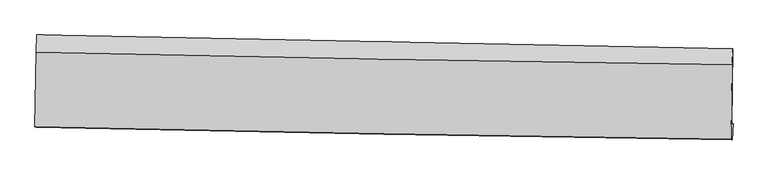
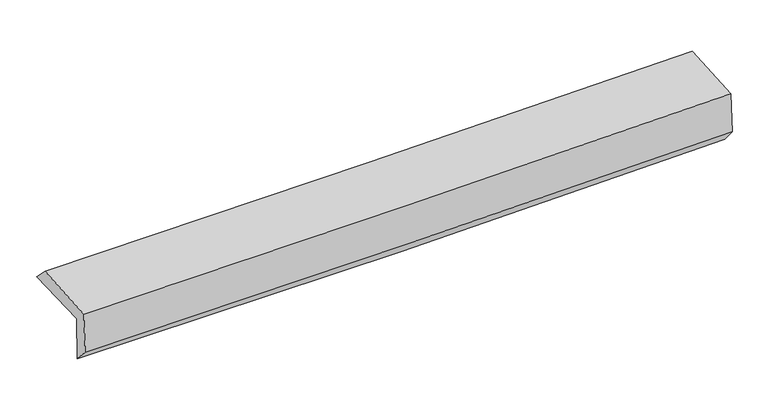
"""IFC4 building model written with IfcOpenShell, lengths in millimetres: proxy geometry."""

from ifc_helpers import new_model, si_unit, frame, origin, place, context, project, spatial, source, transform, mapped, element, save
from ifc_brep_helpers import plane_surface, spline_curve, spline_surface, advanced_brep


def generic_models_f90decf9(model_context):
    return source(origin(), model_context, "Body", "AdvancedBrep", [
        advanced_brep(
        [(-3037.9486044, -1752.9463019, 1962.5952128), (-3027.4790925, -1080.6604234, 1972.6551593), (3025.2929379, -1199.3300088, 2091.1742152), (3014.6501845, -1858.0023247, 2094.7028768), (-3025.9506918, -1741.9254404, 1551.8700336), (3026.2343257, -1852.2083483, 1695.4473883), (-3032.7172813, -1884.4131968, 1707.739724), (3019.4558494, -1991.8199469, 1853.3292988), (-3043.6005758, -1879.34184, 2088.686575), (3008.4989387, -1986.7142868, 2236.8529308), (-3034.0972183, -1229.4724588, 2119.8501687), (3017.928879, -1341.8654066, 2267.7757733)],
        [
            (0, 1),
            (1, 2, spline_curve(3, [(-3027.4790925, -1080.6604234, 1972.6551593), (-2018.388099766, -1101.461106184, 1980.334060151), (-1009.427202517, -1121.750909223, 1994.050657789), (1008.163456114, -1161.307365836, 2033.557859202), (2016.793235495, -1180.57409127, 2059.347613076), (3025.2929379, -1199.3300088, 2091.1742152)], [4, 2, 4], [0.0, 9.93336986655517, 19.866041175013198])),
            (2, 3),
            (3, 0, spline_curve(3, [(3014.6501845, -1858.0023247, 2094.7028768), (2006.290914837, -1842.597580548, 2056.133758211), (997.745789921, -1826.140884894, 2025.840322827), (-1019.787113493, -1791.122358535, 1981.803270679), (-2028.774918349, -1772.560380079, 1968.060818122), (-3037.9486044, -1752.9463019, 1962.5952128)], [4, 2, 4], [0.0, 9.932671308458028, 19.866041175013198])),
            (4, 0),
            (3, 5),
            (5, 4, spline_curve(3, [(3026.2343257, -1852.2083483, 1695.4473883), (2017.986287771, -1834.278054562, 1654.417938529), (1009.531259016, -1816.122996528, 1621.938554042), (-1007.863717538, -1779.362058631, 1574.078233225), (-2016.803694922, -1760.75614763, 1558.698499413), (-3025.9506918, -1741.9254404, 1551.8700336)], [4, 2, 4], [0.0, 9.932606038578466, 19.865910630663688])),
            (6, 4),
            (5, 7),
            (7, 6, spline_curve(3, [(3019.4558494, -1991.8199469, 1853.3292988), (2010.775091162, -1978.751640687, 1824.630783616), (1002.104685456, -1963.267324589, 1798.149410312), (-1015.286359439, -1927.465414293, 1749.619240201), (-2024.006997424, -1907.147480427, 1727.570755168), (-3032.7172813, -1884.4131968, 1707.739724)], [4, 2, 4], [0.0, 9.932352857329601, 19.865404250359887])),
            (8, 6),
            (7, 9),
            (9, 8, spline_curve(3, [(3008.4989387, -1986.7142868, 2236.8529308), (1999.902553786, -1973.685296329, 2205.201110241), (991.28047022, -1958.223497474, 2177.028315484), (-1026.086030741, -1922.43302381, 2127.63904102), (-2034.830452165, -1902.104007413, 2106.423050516), (-3043.6005758, -1879.34184, 2088.686575)], [4, 2, 4], [0.0, 9.932261861764214, 19.865222252829458])),
            (10, 8),
            (9, 11),
            (11, 10, spline_curve(3, [(3017.928879, -1341.8654066, 2267.7757733), (2009.369316062, -1326.318407426, 2236.244700312), (1000.771762057, -1309.179214007, 2208.152342878), (-1016.570264917, -1271.715122228, 2158.843324248), (-2025.314743291, -1251.389999515, 2137.627146922), (-3034.0972183, -1229.4724588, 2119.8501687)], [4, 2, 4], [0.0, 9.932272998371255, 19.86524452682677])),
            (1, 10),
            (11, 2),
        ],
        [
            spline_surface(3, 3, [[(-3037.9486044, -1752.9463019, 1962.5952128), (-2028.774918271, -1772.560380056, 1968.060818007), (-1019.787113529, -1791.122358551, 1981.803270699), (997.745789957, -1826.140884877, 2025.840322808), (2006.290914857, -1842.597580588, 2056.133758073), (3014.6501845, -1858.0023247, 2094.7028768)], [(-3034.458767106, -1528.851009083, 1965.948528317), (-2025.312645435, -1548.860622062, 1972.151898692), (-1016.333809835, -1567.998542122, 1985.885733114), (1001.218345326, -1604.529711875, 2028.4128349), (2009.791688427, -1621.923084074, 2057.205043087), (3018.197768972, -1638.444886046, 2093.526656271)], [(-3030.968929794, -1304.755716217, 1969.301843783), (-2021.850372582, -1325.160864016, 1976.242979327), (-1012.880506151, -1344.874725656, 1989.96819551), (1004.690900685, -1382.918538836, 2030.985346973), (2013.29246198, -1401.248587624, 2058.276328087), (3021.745353428, -1418.887447454, 2092.350435729)], [(-3027.4790925, -1080.6604234, 1972.6551593), (-2018.388099746, -1101.461106022, 1980.334060012), (-1009.427202456, -1121.750909226, 1994.050657926), (1008.163456054, -1161.307365833, 2033.557859066), (2016.79323555, -1180.57409111, 2059.347613101), (3025.2929379, -1199.3300088, 2091.1742152)]], [4, 4], [4, 2, 4], [0.0, 2.1891673508470957], [0.0, 9.93336986655517, 19.866041175013198]),
            spline_surface(3, 3, [[(-3025.9506918, -1741.9254404, 1551.8700336), (-2016.803694844, -1760.75614756, 1558.698499318), (-1007.863717618, -1779.362058744, 1574.078233176), (1009.531259096, -1816.122996416, 1621.938554091), (2017.986287709, -1834.278054555, 1654.417938469), (3026.2343257, -1852.2083483, 1695.4473883)], [(-3029.949996004, -1745.599060886, 1688.778426655), (-2020.794102656, -1764.690891711, 1695.152605536), (-1011.838182934, -1783.282158677, 1709.986579038), (1005.602769372, -1819.462292567, 1756.572477018), (2014.087830087, -1837.051229928, 1788.323211682), (3022.372945295, -1854.139673795, 1828.532551145)], [(-3033.949300196, -1749.272681414, 1825.686819745), (-2024.784510458, -1768.625635905, 1831.606711789), (-1015.812648214, -1787.202258618, 1845.894924836), (1001.674279682, -1822.801588726, 1891.206399881), (2010.18937248, -1839.824405215, 1922.22848486), (3018.511564905, -1856.070999205, 1961.617713955)], [(-3037.9486044, -1752.9463019, 1962.5952128), (-2028.774918271, -1772.560380056, 1968.060818007), (-1019.787113529, -1791.122358551, 1981.803270699), (997.745789957, -1826.140884877, 2025.840322808), (2006.290914857, -1842.597580588, 2056.133758073), (3014.6501845, -1858.0023247, 2094.7028768)]], [4, 4], [4, 2, 4], [0.0, 1.3324561980108358], [0.0, 9.933304592085221, 19.865910630663688]),
            spline_surface(3, 3, [[(-3032.7172813, -1884.4131968, 1707.739724), (-2024.00699729, -1907.147480331, 1727.57075533), (-1015.286359503, -1927.465414336, 1749.619240195), (1002.10468552, -1963.267324546, 1798.149410318), (2010.775091299, -1978.751640531, 1824.630783749), (3019.4558494, -1991.8199469, 1853.3292988)], [(-3030.461751457, -1836.917278008, 1655.783160531), (-2021.605896465, -1858.350369415, 1671.280003323), (-1012.812145535, -1878.097629123, 1691.10557119), (1004.580210052, -1914.219215154, 1739.412458243), (2013.178823443, -1930.593778513, 1767.893168666), (3021.715341507, -1945.282747341, 1800.701995311)], [(-3028.206221643, -1789.421359192, 1603.826597069), (-2019.204795669, -1809.553258476, 1614.989251325), (-1010.337931587, -1828.729843956, 1632.591902181), (1007.055734564, -1865.171105808, 1680.675506166), (2015.582555566, -1882.435916573, 1711.155553552), (3023.974833593, -1898.745547859, 1748.074691789)], [(-3025.9506918, -1741.9254404, 1551.8700336), (-2016.803694844, -1760.75614756, 1558.698499318), (-1007.863717618, -1779.362058744, 1574.078233176), (1009.531259096, -1816.122996416, 1621.938554091), (2017.986287709, -1834.278054555, 1654.417938469), (3026.2343257, -1852.2083483, 1695.4473883)]], [4, 4], [4, 2, 4], [0.0, 0.753738735706305], [0.0, 9.933051393030286, 19.865404250359887]),
            spline_surface(3, 3, [[(-3043.6005758, -1879.34184, 2088.686575), (-2034.83045229, -1902.104007317, 2106.42305039), (-1026.086030866, -1922.433023953, 2127.639040932), (991.280470346, -1958.223497331, 2177.028315572), (1999.902553768, -1973.685296324, 2205.201110294), (3008.4989387, -1986.7142868, 2236.8529308)], [(-3039.972810974, -1881.032292244, 1961.704291344), (-2031.222633964, -1903.785164965, 1980.138952047), (-1022.486140402, -1924.110487407, 2001.632440685), (994.888542081, -1959.904773062, 2050.735347153), (2003.526732944, -1975.37407774, 2078.344334773), (3012.151242265, -1988.416173514, 2109.011720127)], [(-3036.345046126, -1882.722744556, 1834.722007656), (-2027.614815616, -1905.466322683, 1853.854853673), (-1018.886249968, -1925.787950882, 1875.625840442), (998.496613785, -1961.586048815, 1924.442378738), (2007.150912123, -1977.062859115, 1951.48755927), (3015.803545835, -1990.118060186, 1981.170509473)], [(-3032.7172813, -1884.4131968, 1707.739724), (-2024.00699729, -1907.147480331, 1727.57075533), (-1015.286359503, -1927.465414336, 1749.619240195), (1002.10468552, -1963.267324546, 1798.149410318), (2010.775091299, -1978.751640531, 1824.630783749), (3019.4558494, -1991.8199469, 1853.3292988)]], [4, 4], [4, 2, 4], [0.0, 1.2422482105798731], [0.0, 9.932960391065244, 19.865222252829458]),
            spline_surface(3, 3, [[(-3034.0972183, -1229.4724588, 2119.8501687), (-2025.314743402, -1251.389999461, 2137.627147002), (-1016.570264965, -1271.715122145, 2158.843324283), (1000.771762105, -1309.179214089, 2208.152342843), (2009.36931614, -1326.318407389, 2236.244700445), (3017.928879, -1341.8654066, 2267.7757733)], [(-3037.265004151, -1446.095585866, 2109.462304109), (-2028.486646382, -1468.294668745, 2127.22578144), (-1019.742186926, -1488.62108942, 2148.441896478), (997.607998191, -1525.527308509, 2197.777667065), (2006.213728678, -1542.107370376, 2225.896837047), (3014.785565562, -1556.815033343, 2257.468159119)], [(-3040.432789949, -1662.718712934, 2099.074439591), (-2031.65854931, -1685.199338032, 2116.824415952), (-1022.914108905, -1705.527056678, 2138.040468736), (994.44423426, -1741.875402911, 2187.40299135), (2003.05814123, -1757.896333336, 2215.548973692), (3011.642252138, -1771.764660057, 2247.160544981)], [(-3043.6005758, -1879.34184, 2088.686575), (-2034.83045229, -1902.104007317, 2106.42305039), (-1026.086030866, -1922.433023953, 2127.639040932), (991.280470346, -1958.223497331, 2177.028315572), (1999.902553768, -1973.685296324, 2205.201110294), (3008.4989387, -1986.7142868, 2236.8529308)]], [4, 4], [4, 2, 4], [0.0, 2.1348338039500168], [0.0, 9.932971528455516, 19.86524452682677]),
            spline_surface(3, 3, [[(-3027.4790925, -1080.6604234, 1972.6551593), (-2018.388099746, -1101.461106022, 1980.334060012), (-1009.427202456, -1121.750909226, 1994.050657926), (1008.163456054, -1161.307365833, 2033.557859066), (2016.79323555, -1180.57409111, 2059.347613101), (3025.2929379, -1199.3300088, 2091.1742152)], [(-3029.685134408, -1130.264435213, 2021.720162444), (-2020.69698094, -1151.437403848, 2032.76508902), (-1011.808223308, -1171.738980206, 2048.981546705), (1005.699558055, -1210.597981926, 2091.756020319), (2014.318595745, -1229.155529866, 2118.313308876), (3022.838251598, -1246.841808063, 2150.041401227)], [(-3031.891176392, -1179.868446987, 2070.785165556), (-2023.005862208, -1201.413701634, 2085.196117994), (-1014.189244113, -1221.727051165, 2103.912435503), (1003.235660103, -1259.888597997, 2149.95418159), (2011.843955945, -1277.736968633, 2177.27900467), (3020.383565302, -1294.353607337, 2208.908587273)], [(-3034.0972183, -1229.4724588, 2119.8501687), (-2025.314743402, -1251.389999461, 2137.627147002), (-1016.570264965, -1271.715122145, 2158.843324283), (1000.771762105, -1309.179214089, 2208.152342843), (2009.36931614, -1326.318407389, 2236.244700445), (3017.928879, -1341.8654066, 2267.7757733)]], [4, 4], [4, 2, 4], [0.0, 0.7411010572248977], [0.0, 9.933174122321141, 19.865649700310733]),
            plane_surface(frame((3018.6768525, -1704.9900537, 2039.8804139), z_axis=(0.9994581765596396, -0.015995024177233398, 0.028766517162314827), x_axis=(0.02855488282494874, -0.013305897173916899, -0.9995036627082717))),
            plane_surface(frame((-3033.632244, -1594.7932769, 1900.5661456), z_axis=(-0.9994581765596507, 0.01599502417831019, -0.028766517161335842), x_axis=(-0.015569375180487174, -0.9997668647519633, -0.014960304158636951))),
        ],
        [
            (0, [[1, 2, 3, 4]]),
            (1, [[5, -4, 6, 7]]),
            (2, [[8, -7, 9, 10]]),
            (3, [[11, -10, 12, 13]]),
            (4, [[14, -13, 15, 16]]),
            (5, [[17, -16, 18, -2]]),
            (6, [[-12, -9, -6, -3, -18, -15]]),
            (7, [[-1, -5, -8, -11, -14, -17]]),
        ],
    ),
    ])


if __name__ == "__main__":
    model = new_model("IFC4")
    model_context = context("Model", 3, world=origin())
    ifc_project = project(units=[si_unit("LENGTHUNIT", "METRE", prefix="MILLI")], contexts=[model_context])
    site = spatial("IfcSite", under=ifc_project)
    building = spatial("IfcBuilding", under=site)
    placement = place(None, origin())
    generic_models_shape = generic_models_f90decf9(model_context)
    element("IfcBuildingElementProxy", 1, Name="Generic Models", at=placement, inside=building, context=model_context, shape_type="MappedRepresentation", body=[
        mapped(generic_models_shape, transform((0.0, 0.0, 0.0), x_axis=(1.0, 0.0, 0.0), y_axis=(0.0, 1.0, 0.0), z_axis=(0.0, 0.0, 1.0))),
    ])
    save(model, "model.ifc")
